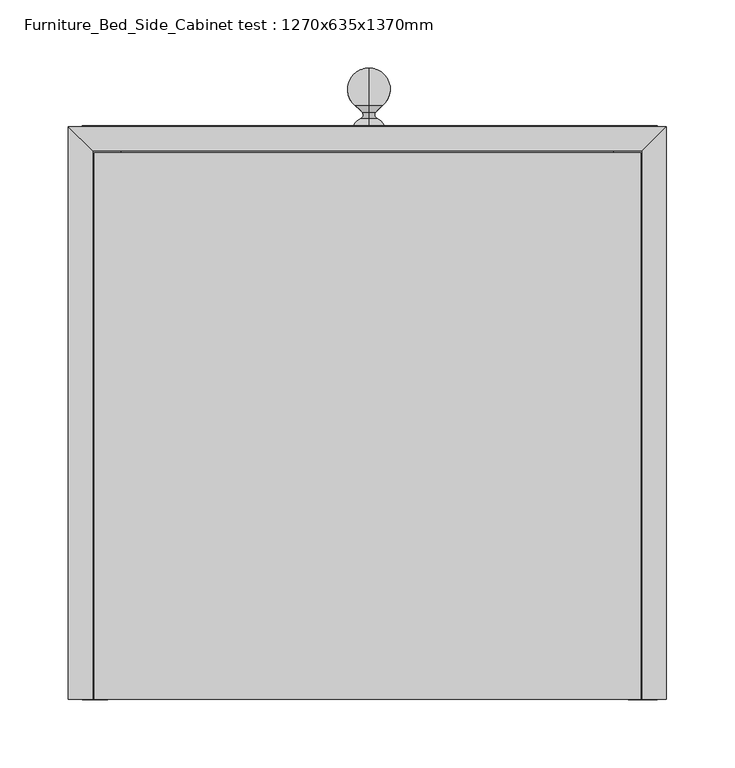
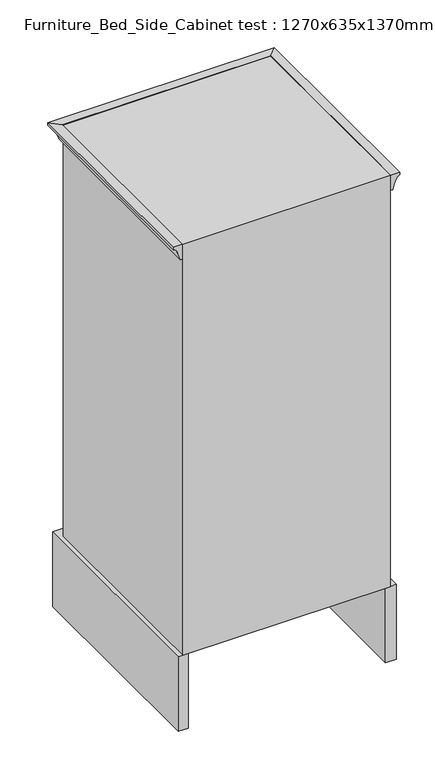
"""IFC4 building model written with IfcOpenShell, lengths in millimetres: furniture geometry, Furniture_Bed_Side_Cabinet test : 1270x635x1370mm."""

from ifc_helpers import new_model, si_unit, point, frame, origin, place, context, project, spatial, polyline, circle_curve, ellipse_curve, trimmed, outline, extrude, faceted_brep, source, transform, mapped, element, save
from ifc_brep_helpers import plane_surface, revolved_surface, advanced_brep


def furniture_bed_side_cabinet_test_1270x635x1370mm_be801ee2(model_context):
    return source(origin(), model_context, "Body", "SolidModel", [
        advanced_brep(
        [(217.7906844, 0.0, 991.6), (200.0, 0.0, 991.6), (200.0, 0.0, 961.050287), (203.5695396, 0.0, 961.050287), (211.6818911, 0.0, 981.9624458), (217.7906844, 0.0, 986.6), (217.7906844, 419.3197376, 991.6), (200.0, 401.5290531, 991.6), (200.0, 401.5290531, 961.050287), (203.5695396, 405.0985927, 961.050287), (211.6818911, 413.2109443, 981.9624458), (217.7906844, 419.3197376, 986.6), (-220.0487907, 419.3197376, 991.6), (-202.2581063, 401.5290531, 991.6), (-202.2581063, 401.5290531, 961.050287), (-205.8276458, 405.0985927, 961.050287), (-213.9399974, 413.2109443, 981.9624458), (-220.0487907, 419.3197376, 986.6), (-220.0487907, 0.0, 991.6), (-220.0487907, 0.0, 986.6), (-213.9399974, 0.0, 981.9624458), (-205.8276458, 0.0, 961.050287), (-202.2581063, 0.0, 961.050287), (-202.2581063, 0.0, 991.6)],
        [
            (0, 1),
            (1, 2),
            (2, 3),
            (3, 4, circle_curve(frame((274.4164439, 0.0, 945.5965655), z_axis=(0.0, 1.0, 0.0), x_axis=(-1.0, 0.0, 0.0)), 72.5127669)),
            (4, 5, circle_curve(frame((220.2806673, 0.0, 976.9779189), z_axis=(0.0, 1.0, 0.0), x_axis=(1.0, 0.0, 0.0)), 9.9390371)),
            (5, 0),
            (0, 6),
            (6, 7),
            (7, 1),
            (7, 8),
            (8, 2),
            (8, 9),
            (9, 3),
            (9, 10, ellipse_curve(frame((274.4164439, 475.945497, 945.5965655), z_axis=(-0.7071067811865475, 0.7071067811865475, 0.0), x_axis=(0.7071067811865474, 0.7071067811865476, 0.0)), 102.5485383, 72.5127669)),
            (10, 4),
            (10, 11, ellipse_curve(frame((220.2806673, 421.8097204, 976.9779189), z_axis=(-0.7071067811865475, 0.7071067811865475, 0.0), x_axis=(0.7071067811865474, 0.7071067811865476, 0.0)), 14.0559211, 9.9390371)),
            (11, 5),
            (11, 6),
            (6, 12),
            (12, 13),
            (13, 7),
            (13, 14),
            (14, 8),
            (14, 15),
            (15, 9),
            (15, 16, ellipse_curve(frame((-276.6745502, 475.945497, 945.5965655), z_axis=(-0.7071067811865475, -0.7071067811865475, 0.0), x_axis=(-0.7071067811865476, 0.7071067811865474, 0.0)), 102.5485383, 72.5127669)),
            (16, 10),
            (16, 17, ellipse_curve(frame((-222.5387735, 421.8097204, 976.9779189), z_axis=(-0.7071067811865475, -0.7071067811865475, 0.0), x_axis=(-0.7071067811865476, 0.7071067811865474, 0.0)), 14.0559211, 9.9390371)),
            (17, 11),
            (17, 12),
            (18, 19),
            (19, 20, circle_curve(frame((-222.5387735, 0.0, 976.9779189), z_axis=(0.0, 1.0, 0.0), x_axis=(-1.0, 0.0, 0.0)), 9.9390371)),
            (20, 21, circle_curve(frame((-276.6745502, 0.0, 945.5965655), z_axis=(0.0, 1.0, 0.0), x_axis=(1.0, 0.0, 0.0)), 72.5127669)),
            (21, 22),
            (22, 23),
            (23, 18),
            (12, 18),
            (23, 13),
            (22, 14),
            (21, 15),
            (20, 16),
            (19, 17),
        ],
        [
            plane_surface(frame((128.8700597, 0.0, 991.6), z_axis=(0.0, -1.0, 0.0), x_axis=(0.0, 0.0, 1.0))),
            plane_surface(frame((217.7906844, 0.0, 991.6), z_axis=(0.0, 0.0, 1.0), x_axis=(0.0, 1.0, 0.0))),
            plane_surface(frame((200.0, 0.0, 991.6), z_axis=(-1.0, 0.0, 0.0), x_axis=(0.0, 1.0, 0.0))),
            plane_surface(frame((200.0, 0.0, 961.050287), z_axis=(0.0, 0.0, -1.0), x_axis=(0.0, 1.0, 0.0))),
            revolved_surface(polyline([(201.903677, 548.4582638326983, 945.5965655), (201.903677, 0.0, 945.5965655)]), (274.4164439, 0.0, 945.5965655), (0.0, 1.0, 0.0)),
            revolved_surface(polyline([(230.2197044, 431.7487575256331, 976.9779189), (230.2197044, 0.0, 976.9779189)]), (220.2806673, 0.0, 976.9779189), (0.0, 1.0, 0.0)),
            plane_surface(frame((217.7906844, 0.0, 986.6), z_axis=(1.0, 0.0, 0.0), x_axis=(0.0, 1.0, 0.0))),
            plane_surface(frame((217.7906844, 419.3197376, 991.6), z_axis=(0.0, 0.0, 1.0), x_axis=(-1.0, 0.0, 0.0))),
            plane_surface(frame((200.0, 401.5290531, 991.6), z_axis=(0.0, -1.0, 0.0), x_axis=(-1.0, 0.0, 0.0))),
            plane_surface(frame((200.0, 401.5290531, 961.050287), z_axis=(0.0, 0.0, -1.0), x_axis=(-1.0, 0.0, 0.0))),
            revolved_surface(polyline([(-349.18731703269845, 403.43273009999996, 945.5965655), (346.9292107326984, 403.43273009999996, 945.5965655)]), (173.4709469, 475.945497, 945.5965655), (-1.0, 0.0, 0.0)),
            revolved_surface(polyline([(-232.47781062563308, 431.7487575, 976.9779189), (230.2197044256331, 431.7487575, 976.9779189)]), (173.4709469, 421.8097204, 976.9779189), (-1.0, 0.0, 0.0)),
            plane_surface(frame((217.7906844, 419.3197376, 986.6), z_axis=(0.0, 1.0, 0.0), x_axis=(-1.0, 0.0, 0.0))),
            plane_surface(frame((-220.3299403, 0.0, 991.6), z_axis=(0.0, -1.0, 0.0), x_axis=(0.0, 0.0, -1.0))),
            plane_surface(frame((-220.0487907, 419.3197376, 991.6), z_axis=(0.0, 0.0, 1.0), x_axis=(0.0, -1.0, 0.0))),
            plane_surface(frame((-202.2581063, 401.5290531, 991.6), z_axis=(1.0, 0.0, 0.0), x_axis=(0.0, -1.0, 0.0))),
            plane_surface(frame((-202.2581063, 401.5290531, 961.050287), z_axis=(0.0, 0.0, -1.0), x_axis=(0.0, -1.0, 0.0))),
            revolved_surface(polyline([(-204.1617833, 0.0, 945.5965655), (-204.1617833, 548.4582638326983, 945.5965655)]), (-276.6745502, 375.0, 945.5965655), (0.0, -1.0, 0.0)),
            revolved_surface(polyline([(-232.4778106, 0.0, 976.9779189), (-232.4778106, 431.7487575256331, 976.9779189)]), (-222.5387735, 375.0, 976.9779189), (0.0, -1.0, 0.0)),
            plane_surface(frame((-220.0487907, 419.3197376, 986.6), z_axis=(-1.0, 0.0, 0.0), x_axis=(0.0, -1.0, 0.0))),
        ],
        [
            (0, [[1, 2, 3, 4, 5, 6]]),
            (1, [[-1, 7, 8, 9]]),
            (2, [[-2, -9, 10, 11]]),
            (3, [[-3, -11, 12, 13]]),
            (4, [[-4, -13, 14, 15]]),
            (5, [[-5, -15, 16, 17]]),
            (6, [[-6, -17, 18, -7]]),
            (7, [[-8, 19, 20, 21]]),
            (8, [[-10, -21, 22, 23]]),
            (9, [[-12, -23, 24, 25]]),
            (10, [[-14, -25, 26, 27]]),
            (11, [[-16, -27, 28, 29]]),
            (12, [[-18, -29, 30, -19]]),
            (13, [[31, 32, 33, 34, 35, 36]]),
            (14, [[-20, 37, -36, 38]]),
            (15, [[-22, -38, -35, 39]]),
            (16, [[-24, -39, -34, 40]]),
            (17, [[-26, -40, -33, 41]]),
            (18, [[-28, -41, -32, 42]]),
            (19, [[-30, -42, -31, -37]]),
        ],
    ),
        faceted_brep([(198.8709469, 400.4, 991.6), (-201.1290531, 400.4, 991.6), (-201.1290531, 0.0, 991.6), (198.8709469, 0.0, 991.6), (198.8709469, 400.4, 152.4), (198.8709469, 0.0, 152.4), (-201.1290531, 0.0, 152.4), (-201.1290531, 400.4, 152.4)], [[[0, 1, 2, 3]], [[4, 5, 6, 7]], [[1, 0, 4, 7]], [[2, 1, 7, 6]], [[3, 2, 6, 5]], [[0, 3, 5, 4]]]),
        advanced_brep(
        [(-160.0, 400.0, 0.0), (160.0, 400.0, 0.0), (190.0, 400.0, 0.0), (190.0, 400.0, 152.4), (-191.0264761, 400.0, 152.4), (-191.0264761, 400.0, 0.0), (-210.0, 420.0, 152.4), (211.2316302, 420.0, 152.4), (211.2316302, 420.0, 0.0), (160.0, 420.0, 0.0), (-160.0, 420.0, 0.0), (-210.0, 420.0, 0.0), (-210.0, 0.0, 0.0), (-210.0, 0.0, 152.4), (-191.0264761, 0.0, 0.0), (211.2316302, 0.0, 0.0), (190.0, 0.0, 0.0), (211.2316302, 0.0, 152.4), (-191.0264761, 0.0, 152.4), (190.0, 0.0, 152.4)],
        [
            (0, 1, circle_curve(frame((0.0, 400.0, -249.5448979), z_axis=(0.0, 1.0, 0.0), x_axis=(1.0, 0.0, 0.0)), 296.4332236)),
            (1, 2),
            (2, 3),
            (3, 4),
            (4, 5),
            (5, 0),
            (6, 7),
            (7, 8),
            (8, 9),
            (9, 10, circle_curve(frame((0.0, 420.0, -249.5448979), z_axis=(0.0, -1.0, 0.0), x_axis=(1.0, 0.0, 0.0)), 296.4332236)),
            (10, 11),
            (11, 6),
            (11, 12),
            (12, 13),
            (13, 6),
            (10, 0),
            (5, 14),
            (14, 12),
            (9, 1),
            (8, 15),
            (15, 16),
            (16, 2),
            (7, 17),
            (17, 15),
            (13, 18),
            (18, 4),
            (3, 19),
            (19, 17),
            (18, 14),
            (16, 19),
        ],
        [
            plane_surface(frame((-210.0, 400.0, 0.0), z_axis=(0.0, -1.0, 0.0), x_axis=(0.0, 0.0, -1.0))),
            plane_surface(frame((-210.0, 420.0, 0.0), z_axis=(0.0, 1.0, 0.0), x_axis=(0.0, 0.0, 1.0))),
            plane_surface(frame((-210.0, 400.0, 152.4), z_axis=(-1.0, 0.0, 0.0), x_axis=(0.0, 1.0, 0.0))),
            plane_surface(frame((-210.0, 400.0, 0.0), z_axis=(0.0, 0.0, -1.0), x_axis=(0.0, 1.0, 0.0))),
            revolved_surface(polyline([(296.4332236, 420.0, -249.5448979), (296.4332236, 400.0, -249.5448979)]), (0.0, 420.0, -249.5448979), (0.0, 1.0, 0.0)),
            plane_surface(frame((160.0, 400.0, 0.0), z_axis=(0.0, 0.0, -1.0), x_axis=(0.0, 1.0, 0.0))),
            plane_surface(frame((211.2316302, 400.0, 0.0), z_axis=(1.0, 0.0, 0.0), x_axis=(0.0, 1.0, 0.0))),
            plane_surface(frame((211.2316302, 400.0, 152.4), z_axis=(0.0, 0.0, 1.0), x_axis=(0.0, 1.0, 0.0))),
            plane_surface(frame((-191.0264761, 584.2, 152.4), z_axis=(1.0, 0.0, 0.0), x_axis=(0.0, -1.0, 0.0))),
            plane_surface(frame((-210.0, 0.0, 0.0), z_axis=(0.0, -1.0, 0.0), x_axis=(1.0, 0.0, 0.0))),
            plane_surface(frame((190.0, 584.2, 152.4), z_axis=(-1.0, 0.0, 0.0), x_axis=(0.0, 1.0, 0.0))),
            plane_surface(frame((190.0, 0.0, 0.0), z_axis=(0.0, -1.0, 0.0), x_axis=(1.0, 0.0, 0.0))),
        ],
        [
            (0, [[1, 2, 3, 4, 5, 6]]),
            (1, [[7, 8, 9, 10, 11, 12]]),
            (2, [[-12, 13, 14, 15]]),
            (3, [[16, -6, 17, 18, -13, -11]]),
            (4, [[-1, -16, -10, 19]]),
            (5, [[-19, -9, 20, 21, 22, -2]]),
            (6, [[-8, 23, 24, -20]]),
            (7, [[-23, -7, -15, 25, 26, -4, 27, 28]]),
            (8, [[29, -17, -5, -26]]),
            (9, [[-14, -18, -29, -25]]),
            (10, [[30, -27, -3, -22]]),
            (11, [[-30, -21, -24, -28]]),
        ],
    ),
        extrude(outline(polyline([(178.8709469, 400.0), (-181.1290531, 400.0), (-181.1290531, 420.0), (178.8709469, 420.0), (178.8709469, 400.0)])), frame((0.0, 0.0, 213.2), z_axis=(0.0, 0.0, 1.0), x_axis=(1.0, 0.0, 0.0)), (0.0, 0.0, 1.0), 156.8),
        extrude(outline(polyline([(178.8709469, 400.0), (-181.1290531, 400.0), (-181.1290531, 420.0), (178.8709469, 420.0), (178.8709469, 400.0)])), frame((0.0, 0.0, 396.7279586), z_axis=(0.0, 0.0, 1.0), x_axis=(1.0, 0.0, 0.0)), (0.0, 0.0, 1.0), 158.2720414),
        extrude(outline(polyline([(178.8709469, 400.0), (-181.1290531, 400.0), (-181.1290531, 420.0), (178.8709469, 420.0), (178.8709469, 400.0)])), frame((0.0, 0.0, 757.0483891), z_axis=(0.0, 0.0, 1.0), x_axis=(1.0, 0.0, 0.0)), (0.0, 0.0, 1.0), 152.9516109),
        extrude(outline(polyline([(178.8709469, 400.0), (-181.1290531, 400.0), (-181.1290531, 420.0), (178.8709469, 420.0), (178.8709469, 400.0)])), frame((0.0, 0.0, 579.9206325), z_axis=(0.0, 0.0, 1.0), x_axis=(1.0, 0.0, 0.0)), (0.0, 0.0, 1.0), 155.0793675),
        advanced_brep(
        [(0.0, 425.5064797, 285.4300065), (0.0, 425.5064797, 296.9818483), (0.0, 429.5238426, 295.9053991), (0.0, 429.5238426, 286.5064557), (0.0, 434.7575313, 301.1390879), (0.0, 434.7575313, 281.272767), (0.0, 462.0486654, 291.2059274), (0.0, 420.0, 291.2059274), (0.0, 420.0, 302.488328), (0.0, 420.0, 279.9235268)],
        [
            (0, 1, circle_curve(frame((0.0, 425.5064797, 291.2059274), z_axis=(0.0, 1.0, 0.0), x_axis=(0.0, 0.0, 1.0)), 5.7759209)),
            (1, 2, circle_curve(frame((0.0, 427.9123294, 297.9258758), z_axis=(1.0, 0.0, 0.0), x_axis=(0.0, -1.0, 0.0)), 2.5844343)),
            (2, 3, circle_curve(frame((0.0, 429.5238426, 291.2059274), z_axis=(0.0, -1.0, 0.0), x_axis=(0.0, 0.0, 1.0)), 4.6994717)),
            (3, 0, circle_curve(frame((0.0, 427.9123294, 284.485979), z_axis=(1.0, 0.0, 0.0), x_axis=(0.0, -1.0, 0.0)), 2.5844343)),
            (1, 0, circle_curve(frame((0.0, 425.5064797, 291.2059274), z_axis=(0.0, 1.0, 0.0), x_axis=(0.0, 0.0, 1.0)), 5.7759209)),
            (3, 2, circle_curve(frame((0.0, 429.5238426, 291.2059274), z_axis=(0.0, -1.0, 0.0), x_axis=(0.0, 0.0, 1.0)), 4.6994717)),
            (2, 4, circle_curve(frame((0.0, 408.9005886, 321.7623419), z_axis=(1.0, 0.0, 0.0), x_axis=(0.0, -1.0, 0.0)), 33.0741606)),
            (4, 5, circle_curve(frame((0.0, 434.7575313, 291.2059274), z_axis=(0.0, -1.0, 0.0), x_axis=(0.0, 0.0, 1.0)), 9.9331604)),
            (5, 3, circle_curve(frame((0.0, 408.9005886, 260.6495129), z_axis=(1.0, 0.0, 0.0), x_axis=(0.0, -1.0, 0.0)), 33.0741606)),
            (5, 4, circle_curve(frame((0.0, 434.7575313, 291.2059274), z_axis=(0.0, -1.0, 0.0), x_axis=(0.0, 0.0, 1.0)), 9.9331604)),
            (4, 6, circle_curve(frame((0.0, 446.7340202, 291.5867531), z_axis=(-1.0, 0.0, 0.0), x_axis=(0.0, -1.0, 0.0)), 15.3193794)),
            (6, 5, circle_curve(frame((0.0, 446.7340202, 290.8251017), z_axis=(-1.0, 0.0, 0.0), x_axis=(0.0, -1.0, 0.0)), 15.3193794)),
            (7, 8),
            (8, 9, circle_curve(frame((0.0, 420.0, 291.2059274), z_axis=(0.0, -1.0, 0.0), x_axis=(0.0, 0.0, 1.0)), 11.2824006)),
            (9, 7),
            (9, 8, circle_curve(frame((0.0, 420.0, 291.2059274), z_axis=(0.0, -1.0, 0.0), x_axis=(0.0, 0.0, 1.0)), 11.2824006)),
            (8, 1, circle_curve(frame((0.0, 416.4439801, 293.4258284), z_axis=(-1.0, 0.0, 0.0), x_axis=(0.0, -1.0, 0.0)), 9.7352029)),
            (0, 9, circle_curve(frame((0.0, 416.4439801, 288.9860264), z_axis=(-1.0, 0.0, 0.0), x_axis=(0.0, -1.0, 0.0)), 9.7352029)),
        ],
        [
            revolved_surface(trimmed(ellipse_curve(frame((0.0, 427.9123294, 297.9258758), z_axis=(-1.0, 0.0, 0.0), x_axis=(0.0, -1.0, 0.0)), 2.5844343, 2.5844343), [point((0.0, 429.5238426, 295.9053991))], [point((0.0, 425.5064797, 296.9818483))], True, "CARTESIAN"), (0.0, 420.0, 291.2059274), (0.0, -1.0, 0.0)),
            revolved_surface(trimmed(ellipse_curve(frame((0.0, 408.9005886, 321.7623419), z_axis=(-1.0, 0.0, 0.0), x_axis=(0.0, -1.0, 0.0)), 33.0741606, 33.0741606), [point((0.0, 434.7575313, 301.1390879))], [point((0.0, 429.5238426, 295.9053991))], True, "CARTESIAN"), (0.0, 420.0, 291.2059274), (0.0, -1.0, 0.0)),
            revolved_surface(trimmed(ellipse_curve(frame((0.0, 446.7340202, 291.5867531), z_axis=(1.0, 0.0, 0.0), x_axis=(0.0, -1.0, 0.0)), 15.3193794, 15.3193794), [point((0.0, 462.0486654, 291.2059274))], [point((0.0, 434.7575313, 301.1390879))], True, "CARTESIAN"), (0.0, 420.0, 291.2059274), (0.0, -1.0, 0.0)),
            plane_surface(frame((0.0, 420.0, 291.2059274), z_axis=(0.0, -1.0, 0.0), x_axis=(0.0, 0.0, 1.0))),
            revolved_surface(trimmed(ellipse_curve(frame((0.0, 416.4439801, 293.4258284), z_axis=(1.0, 0.0, 0.0), x_axis=(0.0, -1.0, 0.0)), 9.7352029, 9.7352029), [point((0.0, 425.5064797, 296.9818483))], [point((0.0, 420.0, 302.488328))], True, "CARTESIAN"), (0.0, 420.0, 291.2059274), (0.0, -1.0, 0.0)),
        ],
        [
            (0, [[1, 2, 3, 4]]),
            (0, [[5, -4, 6, -2]]),
            (1, [[-3, 7, 8, 9]]),
            (1, [[-6, -9, 10, -7]]),
            (2, [[-8, 11, 12]]),
            (2, [[-10, -12, -11]]),
            (3, [[13, 14, 15]]),
            (3, [[-15, 16, -13]]),
            (4, [[-14, 17, -1, 18]]),
            (4, [[-16, -18, -5, -17]]),
        ],
    ),
        advanced_brep(
        [(0.0, 425.5064797, 470.4300065), (0.0, 425.5064797, 481.9818483), (0.0, 429.5238426, 480.9053991), (0.0, 429.5238426, 471.5064557), (0.0, 434.7575313, 486.1390879), (0.0, 434.7575313, 466.272767), (0.0, 462.0486654, 476.2059274), (0.0, 420.0, 476.2059274), (0.0, 420.0, 487.488328), (0.0, 420.0, 464.9235268)],
        [
            (0, 1, circle_curve(frame((0.0, 425.5064797, 476.2059274), z_axis=(0.0, 1.0, 0.0), x_axis=(0.0, 0.0, 1.0)), 5.7759209)),
            (1, 2, circle_curve(frame((0.0, 427.9123294, 482.9258758), z_axis=(1.0, 0.0, 0.0), x_axis=(0.0, -1.0, 0.0)), 2.5844343)),
            (2, 3, circle_curve(frame((0.0, 429.5238426, 476.2059274), z_axis=(0.0, -1.0, 0.0), x_axis=(0.0, 0.0, 1.0)), 4.6994717)),
            (3, 0, circle_curve(frame((0.0, 427.9123294, 469.485979), z_axis=(1.0, 0.0, 0.0), x_axis=(0.0, -1.0, 0.0)), 2.5844343)),
            (1, 0, circle_curve(frame((0.0, 425.5064797, 476.2059274), z_axis=(0.0, 1.0, 0.0), x_axis=(0.0, 0.0, 1.0)), 5.7759209)),
            (3, 2, circle_curve(frame((0.0, 429.5238426, 476.2059274), z_axis=(0.0, -1.0, 0.0), x_axis=(0.0, 0.0, 1.0)), 4.6994717)),
            (2, 4, circle_curve(frame((0.0, 408.9005886, 506.7623419), z_axis=(1.0, 0.0, 0.0), x_axis=(0.0, -1.0, 0.0)), 33.0741606)),
            (4, 5, circle_curve(frame((0.0, 434.7575313, 476.2059274), z_axis=(0.0, -1.0, 0.0), x_axis=(0.0, 0.0, 1.0)), 9.9331604)),
            (5, 3, circle_curve(frame((0.0, 408.9005886, 445.6495129), z_axis=(1.0, 0.0, 0.0), x_axis=(0.0, -1.0, 0.0)), 33.0741606)),
            (5, 4, circle_curve(frame((0.0, 434.7575313, 476.2059274), z_axis=(0.0, -1.0, 0.0), x_axis=(0.0, 0.0, 1.0)), 9.9331604)),
            (4, 6, circle_curve(frame((0.0, 446.7340202, 476.5867531), z_axis=(-1.0, 0.0, 0.0), x_axis=(0.0, -1.0, 0.0)), 15.3193794)),
            (6, 5, circle_curve(frame((0.0, 446.7340202, 475.8251017), z_axis=(-1.0, 0.0, 0.0), x_axis=(0.0, -1.0, 0.0)), 15.3193794)),
            (7, 8),
            (8, 9, circle_curve(frame((0.0, 420.0, 476.2059274), z_axis=(0.0, -1.0, 0.0), x_axis=(0.0, 0.0, 1.0)), 11.2824006)),
            (9, 7),
            (9, 8, circle_curve(frame((0.0, 420.0, 476.2059274), z_axis=(0.0, -1.0, 0.0), x_axis=(0.0, 0.0, 1.0)), 11.2824006)),
            (8, 1, circle_curve(frame((0.0, 416.4439801, 478.4258284), z_axis=(-1.0, 0.0, 0.0), x_axis=(0.0, -1.0, 0.0)), 9.7352029)),
            (0, 9, circle_curve(frame((0.0, 416.4439801, 473.9860264), z_axis=(-1.0, 0.0, 0.0), x_axis=(0.0, -1.0, 0.0)), 9.7352029)),
        ],
        [
            revolved_surface(trimmed(ellipse_curve(frame((0.0, 427.9123294, 482.9258758), z_axis=(-1.0, 0.0, 0.0), x_axis=(0.0, -1.0, 0.0)), 2.5844343, 2.5844343), [point((0.0, 429.5238426, 480.9053991))], [point((0.0, 425.5064797, 481.9818483))], True, "CARTESIAN"), (0.0, 420.0, 476.2059274), (0.0, -1.0, 0.0)),
            revolved_surface(trimmed(ellipse_curve(frame((0.0, 408.9005886, 506.7623419), z_axis=(-1.0, 0.0, 0.0), x_axis=(0.0, -1.0, 0.0)), 33.0741606, 33.0741606), [point((0.0, 434.7575313, 486.1390879))], [point((0.0, 429.5238426, 480.9053991))], True, "CARTESIAN"), (0.0, 420.0, 476.2059274), (0.0, -1.0, 0.0)),
            revolved_surface(trimmed(ellipse_curve(frame((0.0, 446.7340202, 476.5867531), z_axis=(1.0, 0.0, 0.0), x_axis=(0.0, -1.0, 0.0)), 15.3193794, 15.3193794), [point((0.0, 462.0486654, 476.2059274))], [point((0.0, 434.7575313, 486.1390879))], True, "CARTESIAN"), (0.0, 420.0, 476.2059274), (0.0, -1.0, 0.0)),
            plane_surface(frame((0.0, 420.0, 476.2059274), z_axis=(0.0, -1.0, 0.0), x_axis=(0.0, 0.0, 1.0))),
            revolved_surface(trimmed(ellipse_curve(frame((0.0, 416.4439801, 478.4258284), z_axis=(1.0, 0.0, 0.0), x_axis=(0.0, -1.0, 0.0)), 9.7352029, 9.7352029), [point((0.0, 425.5064797, 481.9818483))], [point((0.0, 420.0, 487.488328))], True, "CARTESIAN"), (0.0, 420.0, 476.2059274), (0.0, -1.0, 0.0)),
        ],
        [
            (0, [[1, 2, 3, 4]]),
            (0, [[5, -4, 6, -2]]),
            (1, [[-3, 7, 8, 9]]),
            (1, [[-6, -9, 10, -7]]),
            (2, [[-8, 11, 12]]),
            (2, [[-10, -12, -11]]),
            (3, [[13, 14, 15]]),
            (3, [[-15, 16, -13]]),
            (4, [[-14, 17, -1, 18]]),
            (4, [[-16, -18, -5, -17]]),
        ],
    ),
        advanced_brep(
        [(0.0, 425.5064797, 655.4300065), (0.0, 425.5064797, 666.9818483), (0.0, 429.5238426, 665.9053991), (0.0, 429.5238426, 656.5064557), (0.0, 434.7575313, 671.1390879), (0.0, 434.7575313, 651.272767), (0.0, 462.0486654, 661.2059274), (0.0, 420.0, 661.2059274), (0.0, 420.0, 672.488328), (0.0, 420.0, 649.9235268)],
        [
            (0, 1, circle_curve(frame((0.0, 425.5064797, 661.2059274), z_axis=(0.0, 1.0, 0.0), x_axis=(0.0, 0.0, 1.0)), 5.7759209)),
            (1, 2, circle_curve(frame((0.0, 427.9123294, 667.9258758), z_axis=(1.0, 0.0, 0.0), x_axis=(0.0, -1.0, 0.0)), 2.5844343)),
            (2, 3, circle_curve(frame((0.0, 429.5238426, 661.2059274), z_axis=(0.0, -1.0, 0.0), x_axis=(0.0, 0.0, 1.0)), 4.6994717)),
            (3, 0, circle_curve(frame((0.0, 427.9123294, 654.485979), z_axis=(1.0, 0.0, 0.0), x_axis=(0.0, -1.0, 0.0)), 2.5844343)),
            (1, 0, circle_curve(frame((0.0, 425.5064797, 661.2059274), z_axis=(0.0, 1.0, 0.0), x_axis=(0.0, 0.0, 1.0)), 5.7759209)),
            (3, 2, circle_curve(frame((0.0, 429.5238426, 661.2059274), z_axis=(0.0, -1.0, 0.0), x_axis=(0.0, 0.0, 1.0)), 4.6994717)),
            (2, 4, circle_curve(frame((0.0, 408.9005886, 691.7623419), z_axis=(1.0, 0.0, 0.0), x_axis=(0.0, -1.0, 0.0)), 33.0741606)),
            (4, 5, circle_curve(frame((0.0, 434.7575313, 661.2059274), z_axis=(0.0, -1.0, 0.0), x_axis=(0.0, 0.0, 1.0)), 9.9331604)),
            (5, 3, circle_curve(frame((0.0, 408.9005886, 630.6495129), z_axis=(1.0, 0.0, 0.0), x_axis=(0.0, -1.0, 0.0)), 33.0741606)),
            (5, 4, circle_curve(frame((0.0, 434.7575313, 661.2059274), z_axis=(0.0, -1.0, 0.0), x_axis=(0.0, 0.0, 1.0)), 9.9331604)),
            (4, 6, circle_curve(frame((0.0, 446.7340202, 661.5867531), z_axis=(-1.0, 0.0, 0.0), x_axis=(0.0, -1.0, 0.0)), 15.3193794)),
            (6, 5, circle_curve(frame((0.0, 446.7340202, 660.8251017), z_axis=(-1.0, 0.0, 0.0), x_axis=(0.0, -1.0, 0.0)), 15.3193794)),
            (7, 8),
            (8, 9, circle_curve(frame((0.0, 420.0, 661.2059274), z_axis=(0.0, -1.0, 0.0), x_axis=(0.0, 0.0, 1.0)), 11.2824006)),
            (9, 7),
            (9, 8, circle_curve(frame((0.0, 420.0, 661.2059274), z_axis=(0.0, -1.0, 0.0), x_axis=(0.0, 0.0, 1.0)), 11.2824006)),
            (8, 1, circle_curve(frame((0.0, 416.4439801, 663.4258284), z_axis=(-1.0, 0.0, 0.0), x_axis=(0.0, -1.0, 0.0)), 9.7352029)),
            (0, 9, circle_curve(frame((0.0, 416.4439801, 658.9860264), z_axis=(-1.0, 0.0, 0.0), x_axis=(0.0, -1.0, 0.0)), 9.7352029)),
        ],
        [
            revolved_surface(trimmed(ellipse_curve(frame((0.0, 427.9123294, 667.9258758), z_axis=(-1.0, 0.0, 0.0), x_axis=(0.0, -1.0, 0.0)), 2.5844343, 2.5844343), [point((0.0, 429.5238426, 665.9053991))], [point((0.0, 425.5064797, 666.9818483))], True, "CARTESIAN"), (0.0, 420.0, 661.2059274), (0.0, -1.0, 0.0)),
            revolved_surface(trimmed(ellipse_curve(frame((0.0, 408.9005886, 691.7623419), z_axis=(-1.0, 0.0, 0.0), x_axis=(0.0, -1.0, 0.0)), 33.0741606, 33.0741606), [point((0.0, 434.7575313, 671.1390879))], [point((0.0, 429.5238426, 665.9053991))], True, "CARTESIAN"), (0.0, 420.0, 661.2059274), (0.0, -1.0, 0.0)),
            revolved_surface(trimmed(ellipse_curve(frame((0.0, 446.7340202, 661.5867531), z_axis=(1.0, 0.0, 0.0), x_axis=(0.0, -1.0, 0.0)), 15.3193794, 15.3193794), [point((0.0, 462.0486654, 661.2059274))], [point((0.0, 434.7575313, 671.1390879))], True, "CARTESIAN"), (0.0, 420.0, 661.2059274), (0.0, -1.0, 0.0)),
            plane_surface(frame((0.0, 420.0, 661.2059274), z_axis=(0.0, -1.0, 0.0), x_axis=(0.0, 0.0, 1.0))),
            revolved_surface(trimmed(ellipse_curve(frame((0.0, 416.4439801, 663.4258284), z_axis=(1.0, 0.0, 0.0), x_axis=(0.0, -1.0, 0.0)), 9.7352029, 9.7352029), [point((0.0, 425.5064797, 666.9818483))], [point((0.0, 420.0, 672.488328))], True, "CARTESIAN"), (0.0, 420.0, 661.2059274), (0.0, -1.0, 0.0)),
        ],
        [
            (0, [[1, 2, 3, 4]]),
            (0, [[5, -4, 6, -2]]),
            (1, [[-3, 7, 8, 9]]),
            (1, [[-6, -9, 10, -7]]),
            (2, [[-8, 11, 12]]),
            (2, [[-10, -12, -11]]),
            (3, [[13, 14, 15]]),
            (3, [[-15, 16, -13]]),
            (4, [[-14, 17, -1, 18]]),
            (4, [[-16, -18, -5, -17]]),
        ],
    ),
        advanced_brep(
        [(0.0, 425.5064797, 830.4300065), (0.0, 425.5064797, 841.9818483), (0.0, 429.5238426, 840.9053991), (0.0, 429.5238426, 831.5064557), (0.0, 434.7575313, 846.1390879), (0.0, 434.7575313, 826.272767), (0.0, 462.0486654, 836.2059274), (0.0, 420.0, 836.2059274), (0.0, 420.0, 847.488328), (0.0, 420.0, 824.9235268)],
        [
            (0, 1, circle_curve(frame((0.0, 425.5064797, 836.2059274), z_axis=(0.0, 1.0, 0.0), x_axis=(0.0, 0.0, 1.0)), 5.7759209)),
            (1, 2, circle_curve(frame((0.0, 427.9123294, 842.9258758), z_axis=(1.0, 0.0, 0.0), x_axis=(0.0, -1.0, 0.0)), 2.5844343)),
            (2, 3, circle_curve(frame((0.0, 429.5238426, 836.2059274), z_axis=(0.0, -1.0, 0.0), x_axis=(0.0, 0.0, 1.0)), 4.6994717)),
            (3, 0, circle_curve(frame((0.0, 427.9123294, 829.485979), z_axis=(1.0, 0.0, 0.0), x_axis=(0.0, -1.0, 0.0)), 2.5844343)),
            (1, 0, circle_curve(frame((0.0, 425.5064797, 836.2059274), z_axis=(0.0, 1.0, 0.0), x_axis=(0.0, 0.0, 1.0)), 5.7759209)),
            (3, 2, circle_curve(frame((0.0, 429.5238426, 836.2059274), z_axis=(0.0, -1.0, 0.0), x_axis=(0.0, 0.0, 1.0)), 4.6994717)),
            (2, 4, circle_curve(frame((0.0, 408.9005886, 866.7623419), z_axis=(1.0, 0.0, 0.0), x_axis=(0.0, -1.0, 0.0)), 33.0741606)),
            (4, 5, circle_curve(frame((0.0, 434.7575313, 836.2059274), z_axis=(0.0, -1.0, 0.0), x_axis=(0.0, 0.0, 1.0)), 9.9331604)),
            (5, 3, circle_curve(frame((0.0, 408.9005886, 805.6495129), z_axis=(1.0, 0.0, 0.0), x_axis=(0.0, -1.0, 0.0)), 33.0741606)),
            (5, 4, circle_curve(frame((0.0, 434.7575313, 836.2059274), z_axis=(0.0, -1.0, 0.0), x_axis=(0.0, 0.0, 1.0)), 9.9331604)),
            (4, 6, circle_curve(frame((0.0, 446.7340202, 836.5867531), z_axis=(-1.0, 0.0, 0.0), x_axis=(0.0, -1.0, 0.0)), 15.3193794)),
            (6, 5, circle_curve(frame((0.0, 446.7340202, 835.8251017), z_axis=(-1.0, 0.0, 0.0), x_axis=(0.0, -1.0, 0.0)), 15.3193794)),
            (7, 8),
            (8, 9, circle_curve(frame((0.0, 420.0, 836.2059274), z_axis=(0.0, -1.0, 0.0), x_axis=(0.0, 0.0, 1.0)), 11.2824006)),
            (9, 7),
            (9, 8, circle_curve(frame((0.0, 420.0, 836.2059274), z_axis=(0.0, -1.0, 0.0), x_axis=(0.0, 0.0, 1.0)), 11.2824006)),
            (8, 1, circle_curve(frame((0.0, 416.4439801, 838.4258284), z_axis=(-1.0, 0.0, 0.0), x_axis=(0.0, -1.0, 0.0)), 9.7352029)),
            (0, 9, circle_curve(frame((0.0, 416.4439801, 833.9860264), z_axis=(-1.0, 0.0, 0.0), x_axis=(0.0, -1.0, 0.0)), 9.7352029)),
        ],
        [
            revolved_surface(trimmed(ellipse_curve(frame((0.0, 427.9123294, 842.9258758), z_axis=(-1.0, 0.0, 0.0), x_axis=(0.0, -1.0, 0.0)), 2.5844343, 2.5844343), [point((0.0, 429.5238426, 840.9053991))], [point((0.0, 425.5064797, 841.9818483))], True, "CARTESIAN"), (0.0, 420.0, 836.2059274), (0.0, -1.0, 0.0)),
            revolved_surface(trimmed(ellipse_curve(frame((0.0, 408.9005886, 866.7623419), z_axis=(-1.0, 0.0, 0.0), x_axis=(0.0, -1.0, 0.0)), 33.0741606, 33.0741606), [point((0.0, 434.7575313, 846.1390879))], [point((0.0, 429.5238426, 840.9053991))], True, "CARTESIAN"), (0.0, 420.0, 836.2059274), (0.0, -1.0, 0.0)),
            revolved_surface(trimmed(ellipse_curve(frame((0.0, 446.7340202, 836.5867531), z_axis=(1.0, 0.0, 0.0), x_axis=(0.0, -1.0, 0.0)), 15.3193794, 15.3193794), [point((0.0, 462.0486654, 836.2059274))], [point((0.0, 434.7575313, 846.1390879))], True, "CARTESIAN"), (0.0, 420.0, 836.2059274), (0.0, -1.0, 0.0)),
            plane_surface(frame((0.0, 420.0, 836.2059274), z_axis=(0.0, -1.0, 0.0), x_axis=(0.0, 0.0, 1.0))),
            revolved_surface(trimmed(ellipse_curve(frame((0.0, 416.4439801, 838.4258284), z_axis=(1.0, 0.0, 0.0), x_axis=(0.0, -1.0, 0.0)), 9.7352029, 9.7352029), [point((0.0, 425.5064797, 841.9818483))], [point((0.0, 420.0, 847.488328))], True, "CARTESIAN"), (0.0, 420.0, 836.2059274), (0.0, -1.0, 0.0)),
        ],
        [
            (0, [[1, 2, 3, 4]]),
            (0, [[5, -4, 6, -2]]),
            (1, [[-3, 7, 8, 9]]),
            (1, [[-6, -9, 10, -7]]),
            (2, [[-8, 11, 12]]),
            (2, [[-10, -12, -11]]),
            (3, [[13, 14, 15]]),
            (3, [[-15, 16, -13]]),
            (4, [[-14, 17, -1, 18]]),
            (4, [[-16, -18, -5, -17]]),
        ],
    ),
    ])


if __name__ == "__main__":
    model = new_model("IFC4")
    model_context = context("Model", 3, world=origin())
    ifc_project = project(units=[si_unit("LENGTHUNIT", "METRE", prefix="MILLI")], contexts=[model_context])
    site = spatial("IfcSite", under=ifc_project)
    building = spatial("IfcBuilding", under=site)
    placement = place(None, origin())
    furniture_bed_side_cabinet_test_1270x635x1370mm_shape = furniture_bed_side_cabinet_test_1270x635x1370mm_be801ee2(model_context)
    element("IfcFurniture", 1, ObjectType="Furniture_Bed_Side_Cabinet test : 1270x635x1370mm", at=placement, inside=building, context=model_context, shape_type="MappedRepresentation", body=[
        mapped(furniture_bed_side_cabinet_test_1270x635x1370mm_shape, transform((0.0, 0.0, 0.0), x_axis=(1.0, 0.0, 0.0), y_axis=(0.0, 1.0, 0.0), z_axis=(0.0, 0.0, 1.0))),
    ])
    save(model, "model.ifc")
